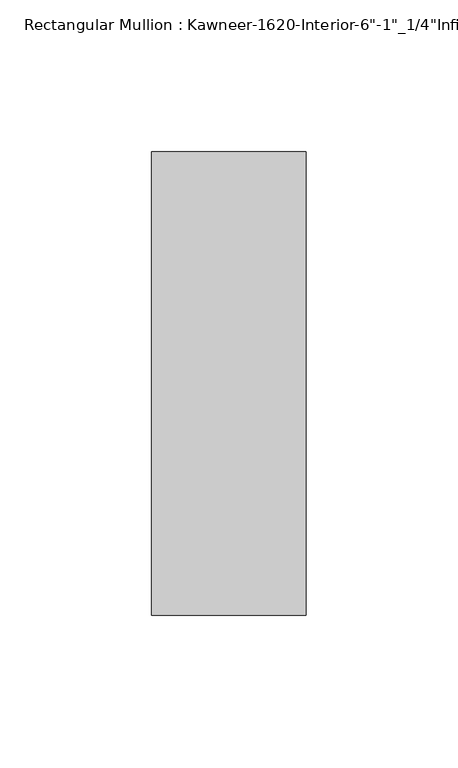
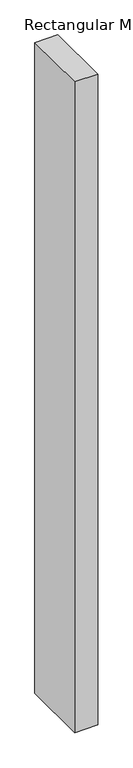
"""IFC4 building model written with IfcOpenShell, lengths in millimetres: member geometry."""

import ifcopenshell
import ifcopenshell.guid

model = None  # the IFC model being written
_history = None  # IfcOwnerHistory: only IFC2X3 demands one
_inside = {}  # id of a spatial element -> (the spatial element, [elements in it])
_under = {}  # id of a project, library or spatial element -> (it, [spatial elements below it])
_declared = {}  # id of a project -> (the project, [libraries it declares])
_typed = {}  # id of a type object -> (the type object, [elements of that type])
_made_of = {}  # id of a material, layer set ... -> (it, [elements and type objects made of it])


def new_model(schema):
    """Start an empty IFC model of exactly this schema.

    Asked for "IFC4X3", IfcOpenShell would pick the latest addendum, in which some entities
    have other attributes; the version numbers below select the first issue.
    IFC2X3 requires an IfcOwnerHistory on every rooted entity: one is made here for all.
    """
    global model, _history
    if schema == "IFC4X3":
        model = ifcopenshell.file(schema_version=(4, 3, 0, 0))
    else:
        model = ifcopenshell.file(schema=schema)
    _inside.clear()
    _under.clear()
    _declared.clear()
    _typed.clear()
    _made_of.clear()
    _history = None
    if model.schema == "IFC2X3":
        org = make("IfcOrganization", Name="unknown")
        user = make(
            "IfcPersonAndOrganization",
            ThePerson=make("IfcPerson", FamilyName="unknown"),
            TheOrganization=org,
        )
        app = make(
            "IfcApplication",
            ApplicationDeveloper=org,
            Version="unknown",
            ApplicationFullName="unknown",
            ApplicationIdentifier="unknown",
        )
        _history = make(
            "IfcOwnerHistory",
            OwningUser=user,
            OwningApplication=app,
            ChangeAction="ADDED",
            CreationDate=0,
        )
    return model


def make(cls, **values):
    """One entity of the class cls with the attributes given. An attribute that is None is left unset."""
    return model.create_entity(
        cls, **{name: value for name, value in values.items() if value is not None}
    )


def rooted(cls, **values):
    """An entity with a GlobalId (a new one), such as an element, a storey or a relation."""
    return make(cls, GlobalId=ifcopenshell.guid.new(), OwnerHistory=_history, **values)


def si_unit(unit_type, name, prefix=None):
    """IfcSIUnit, for example si_unit("LENGTHUNIT", "METRE", prefix="MILLI")."""
    return make("IfcSIUnit", UnitType=unit_type, Prefix=prefix, Name=name)


def assignment(units):
    """IfcUnitAssignment: the units of a project."""
    return None if units is None else make("IfcUnitAssignment", Units=units)


def point(xyz):
    """IfcCartesianPoint."""
    return None if xyz is None else make("IfcCartesianPoint", Coordinates=xyz)


def direction(xyz):
    """IfcDirection."""
    return None if xyz is None else make("IfcDirection", DirectionRatios=xyz)


def frame(location, z_axis=None, x_axis=None):
    """IfcAxis2Placement3D, a coordinate frame: its origin and axes. An axis left out is left unset."""
    return make(
        "IfcAxis2Placement3D",
        Location=point(location),
        Axis=direction(z_axis),
        RefDirection=direction(x_axis),
    )


def origin():
    """The frame at (0, 0, 0) with its axes left unset."""
    return frame((0.0, 0.0, 0.0))


def place(relative_to, where):
    """IfcLocalPlacement: puts the frame where relative to a parent placement (None: the world)."""
    return make(
        "IfcLocalPlacement", PlacementRelTo=relative_to, RelativePlacement=where
    )


def context(
    kind, dimensions, precision=None, world=None, true_north=None, identifier=None
):
    """IfcGeometricRepresentationContext, for example the 3D "Model" context."""
    return make(
        "IfcGeometricRepresentationContext",
        ContextIdentifier=identifier,
        ContextType=kind,
        CoordinateSpaceDimension=dimensions,
        Precision=precision,
        WorldCoordinateSystem=world,
        TrueNorth=true_north,
    )


def project(units=None, contexts=None):
    """IfcProject with its units and contexts."""
    return rooted(
        "IfcProject",
        Name="project",
        RepresentationContexts=contexts,
        UnitsInContext=assignment(units),
    )


def spatial(cls, under=None, at=None, **own):
    """A site, building, storey or space (cls), placed at a placement, below another one or the project."""
    s = rooted(cls, ObjectPlacement=at, **own)
    if under is not None:
        _under.setdefault(under.id(), (under, []))[1].append(s)
    return s


def polyline(points):
    """IfcPolyline through the points."""
    return make("IfcPolyline", Points=[point(p) for p in points])


def outline(outer, holes=None, kind="AREA"):
    """IfcArbitraryClosedProfileDef: a profile drawn as a closed curve; with holes, ...WithVoids."""
    if holes is None:
        return make("IfcArbitraryClosedProfileDef", ProfileType=kind, OuterCurve=outer)
    return make(
        "IfcArbitraryProfileDefWithVoids",
        ProfileType=kind,
        OuterCurve=outer,
        InnerCurves=holes,
    )


def extrude(swept, where, along, depth):
    """IfcExtrudedAreaSolid: the profile swept, set in the frame where, extruded along a direction by depth."""
    return make(
        "IfcExtrudedAreaSolid",
        SweptArea=swept,
        Position=where,
        ExtrudedDirection=direction(along),
        Depth=depth,
    )


def shape(context_of_items, identifier, shape_type, items):
    """IfcShapeRepresentation: the items that make up one representation, for example the "Body"."""
    return make(
        "IfcShapeRepresentation",
        ContextOfItems=context_of_items,
        RepresentationIdentifier=identifier,
        RepresentationType=shape_type,
        Items=items,
    )


def source(mapping_origin, context_of_items, identifier, shape_type, items):
    """IfcRepresentationMap: a shape defined once, which mapped items show again and again."""
    return make(
        "IfcRepresentationMap",
        MappingOrigin=mapping_origin,
        MappedRepresentation=shape(context_of_items, identifier, shape_type, items),
    )


def transform(
    local_origin,
    x_axis=None,
    y_axis=None,
    z_axis=None,
    scale=None,
    scale2=None,
    scale3=None,
    uniform=True,
):
    """IfcCartesianTransformationOperator3D, or its non-uniform kind. x_axis, y_axis, z_axis: its Axis1, 2, 3."""
    if uniform:
        return make(
            "IfcCartesianTransformationOperator3D",
            Axis1=direction(x_axis),
            Axis2=direction(y_axis),
            LocalOrigin=point(local_origin),
            Scale=scale,
            Axis3=direction(z_axis),
        )
    return make(
        "IfcCartesianTransformationOperator3DnonUniform",
        Axis1=direction(x_axis),
        Axis2=direction(y_axis),
        LocalOrigin=point(local_origin),
        Scale=scale,
        Axis3=direction(z_axis),
        Scale2=scale2,
        Scale3=scale3,
    )


def mapped(mapping_source, mapping_target):
    """IfcMappedItem: shows the shape of a source again, moved by a transform."""
    return make(
        "IfcMappedItem", MappingSource=mapping_source, MappingTarget=mapping_target
    )


def made_of(thing, what):
    """Note that an element or type object is made of a material, layer set ...; save() writes the relation."""
    if what is not None:
        _made_of.setdefault(what.id(), (what, []))[1].append(thing)
    return thing


def element(
    cls,
    number,
    at=None,
    inside=None,
    cuts=None,
    type_object=None,
    material=None,
    context=None,
    identifier="Body",
    shape_type=None,
    held_by="IfcProductDefinitionShape",
    body=None,
    shapes=None,
    **own,
):
    """One element of the class cls, such as IfcWall. Its Tag is "e" and its number.

    at: its placement. inside: the storey or other place that contains it. cuts: it is an
    opening in that element (IfcRelVoidsElement). A single representation is given by context,
    identifier, shape_type and body (its items); several are given by shapes. held_by: the class
    of the entity that holds the representations. save() writes the other relations.
    """
    e = rooted(cls, Tag="e%d" % number, ObjectPlacement=at, **own)
    if body is not None:
        shapes = [shape(context, identifier, shape_type, body)]
    if shapes is not None:
        e.Representation = make(held_by, Representations=shapes)
    if inside is not None:
        _inside.setdefault(inside.id(), (inside, []))[1].append(e)
    if cuts is not None:
        rooted(
            "IfcRelVoidsElement", RelatingBuildingElement=cuts, RelatedOpeningElement=e
        )
    if type_object is not None:
        _typed.setdefault(type_object.id(), (type_object, []))[1].append(e)
    return made_of(e, material)


def aggregate(whole, parts):
    """IfcRelAggregates: a whole, such as a stair, and the parts it consists of."""
    return rooted("IfcRelAggregates", RelatingObject=whole, RelatedObjects=parts)


def save(model, path):
    """Write the relations noted so far, then the file.

    IfcRelAggregates (storeys below a building ...), IfcRelContainedInSpatialStructure (elements
    in a storey), IfcRelDefinesByType, IfcRelAssociatesMaterial and IfcRelDeclares: one each for
    every whole, place, type object, material and project.
    """
    for whole, parts in _under.values():
        aggregate(whole, parts)
    for where, things in _inside.values():
        rooted(
            "IfcRelContainedInSpatialStructure",
            RelatedElements=things,
            RelatingStructure=where,
        )
    for kind, things in _typed.values():
        rooted("IfcRelDefinesByType", RelatedObjects=things, RelatingType=kind)
    for what, things in _made_of.values():
        rooted("IfcRelAssociatesMaterial", RelatedObjects=things, RelatingMaterial=what)
    for by, libraries in _declared.values():
        rooted("IfcRelDeclares", RelatingContext=by, RelatedDefinitions=libraries)
    model.write(path)


def member_f03783db(model_context):
    return source(origin(), model_context, "Body", "SweptSolid", [
        extrude(outline(polyline([(25.4, -123.825), (-25.4, -123.825), (-25.4, 28.575), (25.4, 28.575), (25.4, -123.825)])), frame((0.0, 0.0, -1524.0), z_axis=(0.0, 0.0, 1.0), x_axis=(1.0, 0.0, 0.0)), (0.0, 0.0, 1.0), 1524.0),
    ])


if __name__ == "__main__":
    model = new_model("IFC4")
    model_context = context("Model", 3, world=origin())
    ifc_project = project(units=[si_unit("LENGTHUNIT", "METRE", prefix="MILLI")], contexts=[model_context])
    site = spatial("IfcSite", under=ifc_project)
    building = spatial("IfcBuilding", under=site)
    placement = place(None, origin())
    member_shape = member_f03783db(model_context)
    element("IfcMember", 1, ObjectType="Rectangular Mullion : Kawneer-1620-Interior-6\"-1\"_1/4\"Infill", at=placement, inside=building, context=model_context, shape_type="MappedRepresentation", body=[
        mapped(member_shape, transform((0.0, 0.0, 0.0), x_axis=(1.0, 0.0, 0.0), y_axis=(0.0, 1.0, 0.0), z_axis=(0.0, 0.0, 1.0))),
    ])
    save(model, "model.ifc")
